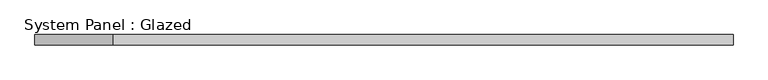
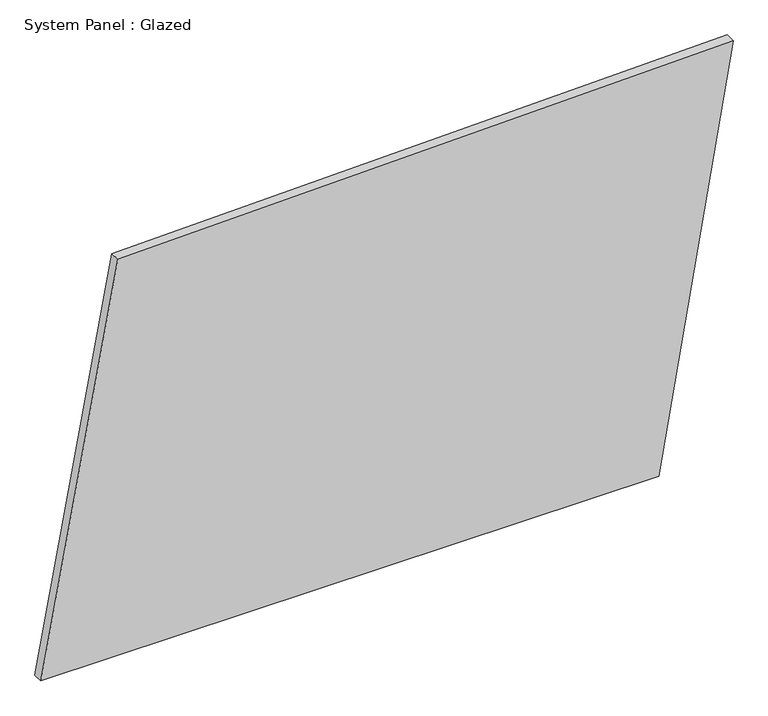
"""IFC4 building model written with IfcOpenShell, lengths in millimetres: plate geometry, System Panel : Glazed."""

from ifc_helpers import new_model, si_unit, frame, origin, place, context, project, spatial, polyline, outline, extrude, source, transform, mapped, element, save


def system_panel_glazed_7922e154(model_context):
    return source(origin(), model_context, "Body", "SweptSolid", [
        extrude(outline(polyline([(0.0, -843.9949193), (0.0, 662.5407116), (1059.2649812, 843.9949193), (1020.8418987, -656.2748682), (0.0, -843.9949193)])), frame((0.0, -49.5, 0.0), z_axis=(0.0, 1.0, 0.0), x_axis=(0.0, 0.0, 1.0)), (0.0, 0.0, 1.0), 25.0),
    ])


if __name__ == "__main__":
    model = new_model("IFC4")
    model_context = context("Model", 3, world=origin())
    ifc_project = project(units=[si_unit("LENGTHUNIT", "METRE", prefix="MILLI")], contexts=[model_context])
    site = spatial("IfcSite", under=ifc_project)
    building = spatial("IfcBuilding", under=site)
    placement = place(None, origin())
    system_panel_glazed_shape = system_panel_glazed_7922e154(model_context)
    element("IfcPlate", 1, ObjectType="System Panel : Glazed", at=placement, inside=building, context=model_context, shape_type="MappedRepresentation", body=[
        mapped(system_panel_glazed_shape, transform((0.0, 0.0, 0.0), x_axis=(1.0, 0.0, 0.0), y_axis=(0.0, 1.0, 0.0), z_axis=(0.0, 0.0, 1.0))),
    ])
    save(model, "model.ifc")
